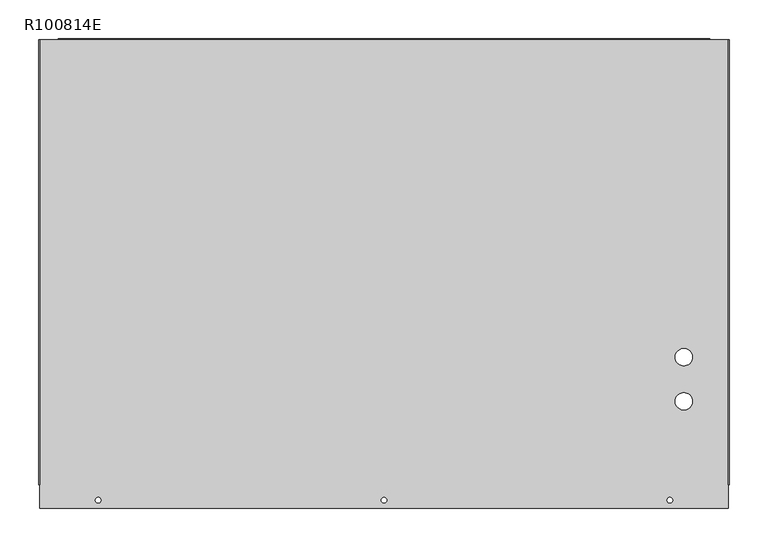
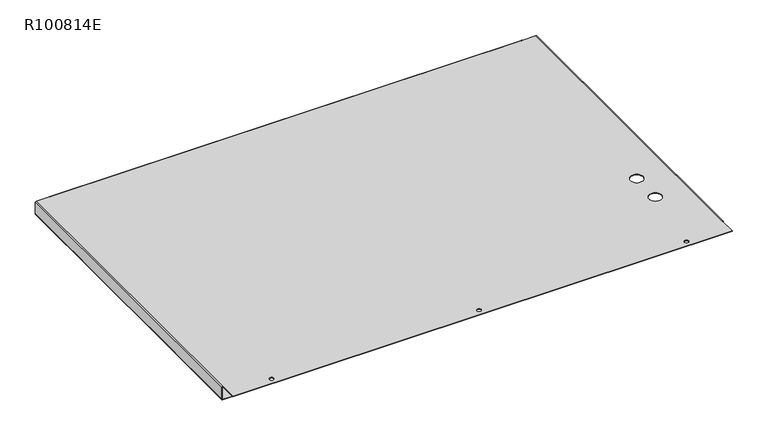
"""IFC4 building model written with IfcOpenShell, lengths in millimetres: proxy geometry, R100814E."""

from ifc_helpers import new_model, si_unit, frame, origin, place, context, project, spatial, polyline, circle_curve, source, transform, mapped, element, save
from ifc_brep_helpers import plane_surface, cylinder_surface, revolved_surface, advanced_brep


def r100814e_e2057013(model_context):
    return source(origin(), model_context, "Body", "AdvancedBrep", [
        advanced_brep(
        [(793.1512212, -359.5432725, 0.0), (793.1512212, -359.5432725, 0.85344), (770.9262212, -359.5432725, 0.85344), (770.9262212, -359.5432725, 0.0), (793.1512212, -416.6932725, 0.0), (793.1512212, -416.6932725, 0.85344), (770.9262212, -416.6932725, 0.85344), (770.9262212, -416.6932725, 0.0), (2.9369012, 51.4922275, -14.38656), (2.9369012, 52.3456675, -14.38656), (-4.3020988, 52.3456675, -14.38656), (-4.3020988, 51.4922275, -14.38656), (792.8769012, 51.4922275, -14.38656), (792.8769012, 52.3456675, -14.38656), (785.6379012, 52.3456675, -14.38656), (785.6379012, 51.4922275, -14.38656), (397.9069012, 51.4922275, -14.38656), (397.9069012, 52.3456675, -14.38656), (390.6679012, 52.3456675, -14.38656), (390.6679012, 51.4922275, -14.38656), (595.3919012, 51.4922275, -14.38656), (595.3919012, 52.3456675, -14.38656), (588.1529012, 52.3456675, -14.38656), (588.1529012, 51.4922275, -14.38656), (200.4219012, 51.4922275, -14.38656), (200.4219012, 52.3456675, -14.38656), (193.1829012, 52.3456675, -14.38656), (193.1829012, 51.4922275, -14.38656), (767.4743612, -544.5035325, 0.0), (767.4743612, -544.5035325, 0.85344), (760.2353612, -544.5035325, 0.85344), (760.2353612, -544.5035325, 0.0), (28.3343612, -544.5035325, 0.0), (28.3343612, -544.5035325, 0.85344), (21.0953612, -544.5035325, 0.85344), (21.0953612, -544.5035325, 0.0), (397.9043612, -544.5035325, 0.0), (397.9043612, -544.5035325, 0.85344), (390.6653612, -544.5035325, 0.85344), (390.6653612, -544.5035325, 0.0), (-50.6139188, -554.8184725, 0.0), (-50.6139188, -554.8184725, 0.85344), (-50.6139188, -524.6432725, 0.85344), (-50.6139188, -524.6432725, 0.0), (-52.3207988, -524.6432725, -0.85344), (-52.3207988, -524.6432725, -22.83968), (-50.6139188, -524.6432725, -24.54656), (-26.9207988, -524.6432725, -24.54656), (-26.9207988, -524.6432725, -23.69312), (-50.6139188, -524.6432725, -23.69312), (-51.4673588, -524.6432725, -22.83968), (-51.4673588, -524.6432725, -0.85344), (-26.9207988, 50.6387875, -24.54656), (-26.9207988, 50.6387875, -23.69312), (-50.6139188, 50.6387875, -24.54656), (-52.3207988, 50.6387875, -22.83968), (-52.3207988, 50.6387875, -0.85344), (-50.6139188, 50.6387875, 0.85344), (839.1887212, -554.8184725, 0.85344), (839.1887212, -554.8184725, 0.0), (839.1887212, -524.6432725, 0.0), (839.1887212, -524.6432725, 0.85344), (840.0421612, -524.6432725, -22.83968), (839.1887212, -524.6432725, -23.69312), (815.4956012, -524.6432725, -23.69312), (815.4956012, -524.6432725, -24.54656), (839.1887212, -524.6432725, -24.54656), (840.8956012, -524.6432725, -22.83968), (840.8956012, -524.6432725, -0.85344), (840.0421612, -524.6432725, -0.85344), (839.1887212, 50.6387875, -24.54656), (840.8956012, 50.6387875, -22.83968), (815.4956012, 50.6387875, -24.54656), (815.4956012, 50.6387875, -23.69312), (839.1887212, 50.6387875, -23.69312), (840.0421612, 50.6387875, -22.83968), (-50.6139188, 50.6387875, -23.69312), (-51.4673588, 50.6387875, -22.83968), (840.0421612, 50.6387875, -0.85344), (840.8956012, 50.6387875, -0.85344), (-51.4673588, 50.6387875, -0.85344), (-50.6139188, 50.6387875, 0.0), (839.1887212, 50.6387875, 0.85344), (839.1887212, 50.6387875, 0.0), (-26.9207988, 50.6387875, 0.85344), (-26.9207988, 50.6387875, 0.0), (815.4956012, 50.6387875, 0.85344), (-26.9207988, 52.3456675, -0.85344), (-26.9207988, 52.3456675, -24.54656), (-26.9207988, 51.4922275, -24.54656), (-26.9207988, 51.4922275, -0.85344), (815.4956012, 52.3456675, -24.54656), (815.4956012, 51.4922275, -24.54656), (815.4956012, 52.3456675, -0.85344), (815.4956012, 50.6387875, 0.0), (815.4956012, 51.4922275, -0.85344)],
        [
            (0, 1),
            (1, 2, circle_curve(frame((782.0387212, -359.5432725, 0.85344), z_axis=(0.0, 0.0, 1.0), x_axis=(1.0, 0.0, 0.0)), 11.1125)),
            (2, 3),
            (3, 0, circle_curve(frame((782.0387212, -359.5432725, 0.0), z_axis=(0.0, 0.0, -1.0), x_axis=(1.0, 0.0, 0.0)), 11.1125)),
            (4, 5),
            (5, 6, circle_curve(frame((782.0387212, -416.6932725, 0.85344), z_axis=(0.0, 0.0, 1.0), x_axis=(1.0, 0.0, 0.0)), 11.1125)),
            (6, 7),
            (7, 4, circle_curve(frame((782.0387212, -416.6932725, 0.0), z_axis=(0.0, 0.0, -1.0), x_axis=(1.0, 0.0, 0.0)), 11.1125)),
            (8, 9),
            (9, 10, circle_curve(frame((-0.6825988, 52.3456675, -14.38656), z_axis=(0.0, 1.0, 0.0), x_axis=(1.0, 0.0, 0.0)), 3.6195)),
            (10, 11),
            (11, 8, circle_curve(frame((-0.6825988, 51.4922275, -14.38656), z_axis=(0.0, -1.0, 0.0), x_axis=(1.0, 0.0, 0.0)), 3.6195)),
            (12, 13),
            (13, 14, circle_curve(frame((789.2574012, 52.3456675, -14.38656), z_axis=(0.0, 1.0, 0.0), x_axis=(1.0, 0.0, 0.0)), 3.6195)),
            (14, 15),
            (15, 12, circle_curve(frame((789.2574012, 51.4922275, -14.38656), z_axis=(0.0, -1.0, 0.0), x_axis=(1.0, 0.0, 0.0)), 3.6195)),
            (16, 17),
            (17, 18, circle_curve(frame((394.2874012, 52.3456675, -14.38656), z_axis=(0.0, 1.0, 0.0), x_axis=(1.0, 0.0, 0.0)), 3.6195)),
            (18, 19),
            (19, 16, circle_curve(frame((394.2874012, 51.4922275, -14.38656), z_axis=(0.0, -1.0, 0.0), x_axis=(1.0, 0.0, 0.0)), 3.6195)),
            (20, 21),
            (21, 22, circle_curve(frame((591.7724012, 52.3456675, -14.38656), z_axis=(0.0, 1.0, 0.0), x_axis=(1.0, 0.0, 0.0)), 3.6195)),
            (22, 23),
            (23, 20, circle_curve(frame((591.7724012, 51.4922275, -14.38656), z_axis=(0.0, -1.0, 0.0), x_axis=(1.0, 0.0, 0.0)), 3.6195)),
            (24, 25),
            (25, 26, circle_curve(frame((196.8024012, 52.3456675, -14.38656), z_axis=(0.0, 1.0, 0.0), x_axis=(1.0, 0.0, 0.0)), 3.6195)),
            (26, 27),
            (27, 24, circle_curve(frame((196.8024012, 51.4922275, -14.38656), z_axis=(0.0, -1.0, 0.0), x_axis=(1.0, 0.0, 0.0)), 3.6195)),
            (28, 29),
            (29, 30, circle_curve(frame((763.8548612, -544.5035325, 0.85344), z_axis=(0.0, 0.0, 1.0), x_axis=(1.0, 0.0, 0.0)), 3.6195)),
            (30, 31),
            (31, 28, circle_curve(frame((763.8548612, -544.5035325, 0.0), z_axis=(0.0, 0.0, -1.0), x_axis=(1.0, 0.0, 0.0)), 3.6195)),
            (32, 33),
            (33, 34, circle_curve(frame((24.7148612, -544.5035325, 0.85344), z_axis=(0.0, 0.0, 1.0), x_axis=(1.0, 0.0, 0.0)), 3.6195)),
            (34, 35),
            (35, 32, circle_curve(frame((24.7148612, -544.5035325, 0.0), z_axis=(0.0, 0.0, -1.0), x_axis=(1.0, 0.0, 0.0)), 3.6195)),
            (36, 37),
            (37, 38, circle_curve(frame((394.2848612, -544.5035325, 0.85344), z_axis=(0.0, 0.0, 1.0), x_axis=(1.0, 0.0, 0.0)), 3.6195)),
            (38, 39),
            (39, 36, circle_curve(frame((394.2848612, -544.5035325, 0.0), z_axis=(0.0, 0.0, -1.0), x_axis=(1.0, 0.0, 0.0)), 3.6195)),
            (36, 39, circle_curve(frame((394.2848612, -544.5035325, 0.0), z_axis=(0.0, 0.0, -1.0), x_axis=(1.0, 0.0, 0.0)), 3.6195)),
            (38, 37, circle_curve(frame((394.2848612, -544.5035325, 0.85344), z_axis=(0.0, 0.0, 1.0), x_axis=(1.0, 0.0, 0.0)), 3.6195)),
            (32, 35, circle_curve(frame((24.7148612, -544.5035325, 0.0), z_axis=(0.0, 0.0, -1.0), x_axis=(1.0, 0.0, 0.0)), 3.6195)),
            (34, 33, circle_curve(frame((24.7148612, -544.5035325, 0.85344), z_axis=(0.0, 0.0, 1.0), x_axis=(1.0, 0.0, 0.0)), 3.6195)),
            (28, 31, circle_curve(frame((763.8548612, -544.5035325, 0.0), z_axis=(0.0, 0.0, -1.0), x_axis=(1.0, 0.0, 0.0)), 3.6195)),
            (30, 29, circle_curve(frame((763.8548612, -544.5035325, 0.85344), z_axis=(0.0, 0.0, 1.0), x_axis=(1.0, 0.0, 0.0)), 3.6195)),
            (24, 27, circle_curve(frame((196.8024012, 51.4922275, -14.38656), z_axis=(0.0, -1.0, 0.0), x_axis=(1.0, 0.0, 0.0)), 3.6195)),
            (26, 25, circle_curve(frame((196.8024012, 52.3456675, -14.38656), z_axis=(0.0, 1.0, 0.0), x_axis=(1.0, 0.0, 0.0)), 3.6195)),
            (20, 23, circle_curve(frame((591.7724012, 51.4922275, -14.38656), z_axis=(0.0, -1.0, 0.0), x_axis=(1.0, 0.0, 0.0)), 3.6195)),
            (22, 21, circle_curve(frame((591.7724012, 52.3456675, -14.38656), z_axis=(0.0, 1.0, 0.0), x_axis=(1.0, 0.0, 0.0)), 3.6195)),
            (16, 19, circle_curve(frame((394.2874012, 51.4922275, -14.38656), z_axis=(0.0, -1.0, 0.0), x_axis=(1.0, 0.0, 0.0)), 3.6195)),
            (18, 17, circle_curve(frame((394.2874012, 52.3456675, -14.38656), z_axis=(0.0, 1.0, 0.0), x_axis=(1.0, 0.0, 0.0)), 3.6195)),
            (12, 15, circle_curve(frame((789.2574012, 51.4922275, -14.38656), z_axis=(0.0, -1.0, 0.0), x_axis=(1.0, 0.0, 0.0)), 3.6195)),
            (14, 13, circle_curve(frame((789.2574012, 52.3456675, -14.38656), z_axis=(0.0, 1.0, 0.0), x_axis=(1.0, 0.0, 0.0)), 3.6195)),
            (8, 11, circle_curve(frame((-0.6825988, 51.4922275, -14.38656), z_axis=(0.0, -1.0, 0.0), x_axis=(1.0, 0.0, 0.0)), 3.6195)),
            (10, 9, circle_curve(frame((-0.6825988, 52.3456675, -14.38656), z_axis=(0.0, 1.0, 0.0), x_axis=(1.0, 0.0, 0.0)), 3.6195)),
            (4, 7, circle_curve(frame((782.0387212, -416.6932725, 0.0), z_axis=(0.0, 0.0, -1.0), x_axis=(1.0, 0.0, 0.0)), 11.1125)),
            (6, 5, circle_curve(frame((782.0387212, -416.6932725, 0.85344), z_axis=(0.0, 0.0, 1.0), x_axis=(1.0, 0.0, 0.0)), 11.1125)),
            (0, 3, circle_curve(frame((782.0387212, -359.5432725, 0.0), z_axis=(0.0, 0.0, -1.0), x_axis=(1.0, 0.0, 0.0)), 11.1125)),
            (2, 1, circle_curve(frame((782.0387212, -359.5432725, 0.85344), z_axis=(0.0, 0.0, 1.0), x_axis=(1.0, 0.0, 0.0)), 11.1125)),
            (40, 41),
            (41, 42),
            (42, 43),
            (43, 40),
            (42, 44, circle_curve(frame((-50.6139188, -524.6432725, -0.85344), z_axis=(0.0, -1.0, 0.0), x_axis=(0.0, 0.0, 1.0)), 1.70688)),
            (44, 45),
            (45, 46, circle_curve(frame((-50.6139188, -524.6432725, -22.83968), z_axis=(0.0, -1.0, 0.0), x_axis=(-1.0, 0.0, 0.0)), 1.70688)),
            (46, 47),
            (47, 48),
            (48, 49),
            (49, 50, circle_curve(frame((-50.6139188, -524.6432725, -22.83968), z_axis=(0.0, 1.0, 0.0), x_axis=(-1.0, 0.0, 0.0)), 0.85344)),
            (50, 51),
            (51, 43, circle_curve(frame((-50.6139188, -524.6432725, -0.85344), z_axis=(0.0, 1.0, 0.0), x_axis=(0.0, 0.0, 1.0)), 0.85344)),
            (47, 52),
            (52, 53),
            (53, 48),
            (46, 54),
            (54, 52),
            (45, 55),
            (55, 54, circle_curve(frame((-50.6139188, 50.6387875, -22.83968), z_axis=(0.0, -1.0, 0.0), x_axis=(-1.0, 0.0, 0.0)), 1.70688)),
            (44, 56),
            (56, 55),
            (42, 57),
            (57, 56, circle_curve(frame((-50.6139188, 50.6387875, -0.85344), z_axis=(0.0, -1.0, 0.0), x_axis=(0.0, 0.0, 1.0)), 1.70688)),
            (58, 59),
            (59, 60),
            (60, 61),
            (61, 58),
            (62, 63, circle_curve(frame((839.1887212, -524.6432725, -22.83968), z_axis=(0.0, 1.0, 0.0), x_axis=(1.0, 0.0, 0.0)), 0.85344)),
            (63, 64),
            (64, 65),
            (65, 66),
            (66, 67, circle_curve(frame((839.1887212, -524.6432725, -22.83968), z_axis=(0.0, -1.0, 0.0), x_axis=(1.0, 0.0, 0.0)), 1.70688)),
            (67, 68),
            (68, 61, circle_curve(frame((839.1887212, -524.6432725, -0.85344), z_axis=(0.0, -1.0, 0.0), x_axis=(0.0, 0.0, 1.0)), 1.70688)),
            (60, 69, circle_curve(frame((839.1887212, -524.6432725, -0.85344), z_axis=(0.0, 1.0, 0.0), x_axis=(0.0, 0.0, 1.0)), 0.85344)),
            (69, 62),
            (66, 70),
            (70, 71, circle_curve(frame((839.1887212, 50.6387875, -22.83968), z_axis=(0.0, -1.0, 0.0), x_axis=(1.0, 0.0, 0.0)), 1.70688)),
            (71, 67),
            (65, 72),
            (72, 70),
            (64, 73),
            (73, 72),
            (63, 74),
            (74, 73),
            (62, 75),
            (75, 74, circle_curve(frame((839.1887212, 50.6387875, -22.83968), z_axis=(0.0, 1.0, 0.0), x_axis=(1.0, 0.0, 0.0)), 0.85344)),
            (70, 74),
            (75, 71),
            (54, 76),
            (76, 53),
            (76, 49),
            (55, 77),
            (77, 76, circle_curve(frame((-50.6139188, 50.6387875, -22.83968), z_axis=(0.0, -1.0, 0.0), x_axis=(-1.0, 0.0, 0.0)), 0.85344)),
            (77, 50),
            (75, 78),
            (78, 79),
            (79, 71),
            (69, 78),
            (77, 80),
            (80, 51),
            (56, 80),
            (57, 81),
            (81, 80, circle_curve(frame((-50.6139188, 50.6387875, -0.85344), z_axis=(0.0, -1.0, 0.0), x_axis=(0.0, 0.0, 1.0)), 0.85344)),
            (81, 43),
            (68, 79),
            (79, 82, circle_curve(frame((839.1887212, 50.6387875, -0.85344), z_axis=(0.0, -1.0, 0.0), x_axis=(0.0, 0.0, 1.0)), 1.70688)),
            (82, 61),
            (78, 83, circle_curve(frame((839.1887212, 50.6387875, -0.85344), z_axis=(0.0, -1.0, 0.0), x_axis=(0.0, 0.0, 1.0)), 0.85344)),
            (83, 82),
            (60, 83),
            (57, 84),
            (84, 85),
            (85, 81),
            (41, 58),
            (82, 86),
            (86, 84),
            (40, 59),
            (84, 87, circle_curve(frame((-26.9207988, 50.6387875, -0.85344), z_axis=(-1.0, 0.0, 0.0), x_axis=(0.0, 0.0, 1.0)), 1.70688)),
            (87, 88),
            (88, 89),
            (89, 90),
            (90, 85, circle_curve(frame((-26.9207988, 50.6387875, -0.85344), z_axis=(1.0, 0.0, 0.0), x_axis=(0.0, 0.0, 1.0)), 0.85344)),
            (88, 91),
            (91, 92),
            (92, 89),
            (87, 93),
            (93, 91),
            (86, 93, circle_curve(frame((815.4956012, 50.6387875, -0.85344), z_axis=(-1.0, 0.0, 0.0), x_axis=(0.0, 0.0, 1.0)), 1.70688)),
            (83, 94),
            (94, 86),
            (94, 95, circle_curve(frame((815.4956012, 50.6387875, -0.85344), z_axis=(-1.0, 0.0, 0.0), x_axis=(0.0, 0.0, 1.0)), 0.85344)),
            (95, 92),
            (90, 95),
            (94, 85),
        ],
        [
            revolved_surface(polyline([(793.1512212, -359.5432725, 0.85344), (793.1512212, -359.5432725, 0.0)]), (782.0387212, -359.5432725, 0.42672), (0.0, 0.0, 1.0)),
            revolved_surface(polyline([(793.1512212, -416.6932725, 0.85344), (793.1512212, -416.6932725, 0.0)]), (782.0387212, -416.6932725, 0.42672), (0.0, 0.0, 1.0)),
            revolved_surface(polyline([(2.9369012, 52.3456675, -14.38656), (2.9369012, 51.4922275, -14.38656)]), (-0.6825988, 51.9189475, -14.38656), (0.0, 1.0, 0.0)),
            revolved_surface(polyline([(792.8769012, 52.3456675, -14.38656), (792.8769012, 51.4922275, -14.38656)]), (789.2574012, 51.9189475, -14.38656), (0.0, 1.0, 0.0)),
            revolved_surface(polyline([(397.9069012, 52.3456675, -14.38656), (397.9069012, 51.4922275, -14.38656)]), (394.2874012, 51.9189475, -14.38656), (0.0, 1.0, 0.0)),
            revolved_surface(polyline([(595.3919012, 52.3456675, -14.38656), (595.3919012, 51.4922275, -14.38656)]), (591.7724012, 51.9189475, -14.38656), (0.0, 1.0, 0.0)),
            revolved_surface(polyline([(200.42190119999998, 52.3456675, -14.38656), (200.42190119999998, 51.4922275, -14.38656)]), (196.8024012, 51.9189475, -14.38656), (0.0, 1.0, 0.0)),
            revolved_surface(polyline([(767.4743612, -544.5035325, 0.85344), (767.4743612, -544.5035325, 0.0)]), (763.8548612, -544.5035325, 0.42672), (0.0, 0.0, 1.0)),
            revolved_surface(polyline([(28.3343612, -544.5035325, 0.85344), (28.3343612, -544.5035325, 0.0)]), (24.7148612, -544.5035325, 0.42672), (0.0, 0.0, 1.0)),
            revolved_surface(polyline([(397.90436120000004, -544.5035325, 0.85344), (397.90436120000004, -544.5035325, 0.0)]), (394.2848612, -544.5035325, 0.42672), (0.0, 0.0, 1.0)),
            plane_surface(frame((-50.6139188, -554.8184725, 0.85344), z_axis=(-1.0, 0.0, 0.0), x_axis=(0.0, 0.0, -1.0))),
            plane_surface(frame((-51.4235186, -524.6432725, -0.0438402), z_axis=(0.0, -1.0, 0.0), x_axis=(0.0, 0.0, -1.0))),
            plane_surface(frame((-26.9207988, -554.8184725, -23.69312), z_axis=(1.0, 0.0, 0.0), x_axis=(0.0, 0.0, -1.0))),
            plane_surface(frame((-39.7325767, -252.0898425, -24.54656), z_axis=(0.0, 0.0, -1.0), x_axis=(1.0, 0.0, 0.0))),
            cylinder_surface(frame((-50.6139188, -252.0898425, -22.83968), z_axis=(0.0, -1.0, 0.0), x_axis=(-1.0, 0.0, 0.0)), 1.70688),
            plane_surface(frame((-52.3207988, -252.0898425, -11.7347821), z_axis=(-1.0, 0.0, 0.0), x_axis=(0.0, 0.0, 1.0))),
            cylinder_surface(frame((-50.6139188, -252.0898425, -0.85344), z_axis=(0.0, -1.0, 0.0), x_axis=(0.0, 0.0, 1.0)), 1.70688),
            plane_surface(frame((839.1887212, -554.8184725, 0.0), z_axis=(1.0, 0.0, 0.0), x_axis=(0.0, 0.0, 1.0))),
            plane_surface(frame((839.9983211, -524.6432725, -23.6492798), z_axis=(0.0, -1.0, 0.0), x_axis=(0.0, 0.0, -1.0))),
            cylinder_surface(frame((839.1887212, -252.0898425, -22.83968), z_axis=(0.0, 1.0, 0.0), x_axis=(1.0, 0.0, 0.0)), 1.70688),
            plane_surface(frame((828.3073791, -252.0898425, -24.54656), z_axis=(0.0, 0.0, -1.0), x_axis=(-1.0, 0.0, 0.0))),
            plane_surface(frame((815.4956012, 50.6387875, -23.69312), z_axis=(-1.0, 0.0, 0.0), x_axis=(0.0, 0.0, 1.0))),
            plane_surface(frame((828.3073791, -252.0898425, -23.69312), z_axis=(0.0, 0.0, 1.0), x_axis=(-1.0, 0.0, 0.0))),
            revolved_surface(polyline([(840.0421612, 50.63878750000001, -22.83968), (840.0421612, -524.6432725, -22.83968)]), (839.1887212, -252.0898425, -22.83968), (0.0, 1.0, 0.0)),
            plane_surface(frame((839.1887212, 50.6387875, -23.69312), z_axis=(0.0, 1.0, 0.0), x_axis=(0.0, 0.0, 1.0))),
            plane_surface(frame((839.1887212, 50.6387875, -23.69312), z_axis=(0.0, 1.0, 0.0), x_axis=(1.0, 0.0, 0.0))),
            plane_surface(frame((-50.6139188, 50.6387875, -23.69312), z_axis=(0.0, 1.0, 0.0), x_axis=(-1.0, 0.0, 0.0))),
            plane_surface(frame((-39.7325767, -252.0898425, -23.69312), z_axis=(0.0, 0.0, 1.0), x_axis=(1.0, 0.0, 0.0))),
            plane_surface(frame((-50.6139188, 50.6387875, -24.54656), z_axis=(0.0, 1.0, 0.0), x_axis=(0.0, 0.0, 1.0))),
            revolved_surface(polyline([(-51.4673588, -524.6432725, -22.83968), (-51.4673588, 50.63878750000001, -22.83968)]), (-50.6139188, -252.0898425, -22.83968), (0.0, -1.0, 0.0)),
            plane_surface(frame((840.0421612, 50.6387875, -0.85344), z_axis=(0.0, 1.0, 0.0), x_axis=(1.0, 0.0, 0.0))),
            plane_surface(frame((840.0421612, -252.0898425, -11.7347821), z_axis=(-1.0, 0.0, 0.0), x_axis=(0.0, 0.0, -1.0))),
            plane_surface(frame((-51.4673588, -252.0898425, -11.7347821), z_axis=(1.0, 0.0, 0.0), x_axis=(0.0, 0.0, 1.0))),
            plane_surface(frame((-51.4673588, 50.6387875, -0.85344), z_axis=(0.0, 1.0, 0.0), x_axis=(-1.0, 0.0, 0.0))),
            plane_surface(frame((-52.3207988, 50.6387875, -0.85344), z_axis=(0.0, 1.0, 0.0), x_axis=(0.0, 0.0, 1.0))),
            revolved_surface(polyline([(-50.6139188, -524.6432725, 0.0), (-50.6139188, 50.63878750000001, 0.0)]), (-50.6139188, -252.0898425, -0.85344), (0.0, -1.0, 0.0)),
            cylinder_surface(frame((839.1887212, -252.0898425, -0.85344), z_axis=(0.0, 1.0, 0.0), x_axis=(0.0, 0.0, 1.0)), 1.70688),
            plane_surface(frame((840.0421612, 50.6387875, -0.85344), z_axis=(0.0, 1.0, 0.0), x_axis=(0.0, 0.0, 1.0))),
            plane_surface(frame((840.8956012, -252.0898425, -11.7347821), z_axis=(1.0, 0.0, 0.0), x_axis=(0.0, 0.0, -1.0))),
            revolved_surface(polyline([(839.1887212, 50.63878750000001, 0.0), (839.1887212, -524.6432725, 0.0)]), (839.1887212, -252.0898425, -0.85344), (0.0, 1.0, 0.0)),
            plane_surface(frame((-52.3207988, 50.6387875, 0.85344), z_axis=(0.0, 1.0, 0.0), x_axis=(0.0, 0.0, -1.0))),
            plane_surface(frame((394.2874012, -251.2364025, 0.85344), z_axis=(0.0, 0.0, 1.0), x_axis=(1.0, 0.0, 0.0))),
            plane_surface(frame((840.8956012, -554.8184725, 0.0), z_axis=(0.0, -1.0, 0.0), x_axis=(0.0, 0.0, -1.0))),
            plane_surface(frame((-26.9207988, 51.4483873, -0.0438402), z_axis=(-1.0, 0.0, 0.0), x_axis=(0.0, 0.0, -1.0))),
            plane_surface(frame((-52.3207988, 51.4922275, -24.54656), z_axis=(0.0, 0.0, -1.0), x_axis=(0.0, 1.0, 0.0))),
            plane_surface(frame((394.2874012, 52.3456675, -11.7347821), z_axis=(0.0, 1.0, 0.0), x_axis=(1.0, 0.0, 0.0))),
            cylinder_surface(frame((394.2874012, 50.6387875, -0.85344), z_axis=(-1.0, 0.0, 0.0), x_axis=(0.0, 0.0, 1.0)), 1.70688),
            plane_surface(frame((840.8956012, 50.6387875, 0.0), z_axis=(0.0, 1.0, 0.0), x_axis=(0.0, 0.0, 1.0))),
            plane_surface(frame((815.4956012, 51.4483873, -0.0438402), z_axis=(1.0, 0.0, 0.0), x_axis=(0.0, 0.0, -1.0))),
            revolved_surface(polyline([(-26.9207988, 50.6387875, 0.0), (815.4956012, 50.6387875, 0.0)]), (394.2874012, 50.6387875, -0.85344), (-1.0, 0.0, 0.0)),
            plane_surface(frame((394.2874012, 51.4922275, -11.7347821), z_axis=(0.0, -1.0, 0.0), x_axis=(1.0, 0.0, 0.0))),
            plane_surface(frame((394.2874012, -251.2364025, 0.0), z_axis=(0.0, 0.0, -1.0), x_axis=(1.0, 0.0, 0.0))),
        ],
        [
            (0, [[1, 2, 3, 4]]),
            (1, [[5, 6, 7, 8]]),
            (2, [[9, 10, 11, 12]]),
            (3, [[13, 14, 15, 16]]),
            (4, [[17, 18, 19, 20]]),
            (5, [[21, 22, 23, 24]]),
            (6, [[25, 26, 27, 28]]),
            (7, [[29, 30, 31, 32]]),
            (8, [[33, 34, 35, 36]]),
            (9, [[37, 38, 39, 40]]),
            (9, [[-37, 41, -39, 42]]),
            (8, [[-33, 43, -35, 44]]),
            (7, [[-29, 45, -31, 46]]),
            (6, [[-25, 47, -27, 48]]),
            (5, [[-21, 49, -23, 50]]),
            (4, [[-17, 51, -19, 52]]),
            (3, [[-13, 53, -15, 54]]),
            (2, [[-9, 55, -11, 56]]),
            (1, [[-5, 57, -7, 58]]),
            (0, [[-1, 59, -3, 60]]),
            (10, [[61, 62, 63, 64]]),
            (11, [[65, 66, 67, 68, 69, 70, 71, 72, 73, -63]]),
            (12, [[-69, 74, 75, 76]]),
            (13, [[-68, 77, 78, -74]]),
            (14, [[-67, 79, 80, -77]]),
            (15, [[-66, 81, 82, -79]]),
            (16, [[-65, 83, 84, -81]]),
            (17, [[85, 86, 87, 88]]),
            (18, [[89, 90, 91, 92, 93, 94, 95, -87, 96, 97]]),
            (19, [[-93, 98, 99, 100]]),
            (20, [[-92, 101, 102, -98]]),
            (21, [[-91, 103, 104, -101]]),
            (22, [[-90, 105, 106, -103]]),
            (23, [[-89, 107, 108, -105]]),
            (24, [[109, -108, 110, -99]]),
            (25, [[-109, -102, -104, -106]]),
            (26, [[111, 112, -75, -78]]),
            (27, [[-70, -76, -112, 113]]),
            (28, [[-111, -80, 114, 115]]),
            (29, [[-71, -113, -115, 116]]),
            (30, [[-110, 117, 118, 119]]),
            (31, [[-97, 120, -117, -107]]),
            (32, [[-72, -116, 121, 122]]),
            (33, [[-114, -82, 123, -121]]),
            (34, [[-123, -84, 124, 125]]),
            (35, [[-73, -122, -125, 126]]),
            (36, [[-95, 127, 128, 129]]),
            (37, [[-118, 130, 131, -128]]),
            (38, [[-94, -100, -119, -127]]),
            (39, [[-96, 132, -130, -120]]),
            (40, [[-124, 133, 134, 135]]),
            (41, [[-83, -62, 136, -88, -129, 137, 138, -133], [-42, -38], [-44, -34], [-46, -30], [-58, -6], [-60, -2]]),
            (42, [[-61, 139, -85, -136]]),
            (43, [[140, 141, 142, 143, 144, -134]]),
            (44, [[-142, 145, 146, 147]]),
            (45, [[-141, 148, 149, -145], [-48, -26], [-50, -22], [-52, -18], [-54, -14], [-56, -10]]),
            (46, [[-140, -138, 150, -148]]),
            (47, [[-131, 151, 152, -137]]),
            (48, [[153, 154, -146, -149, -150, -152]]),
            (49, [[-144, 155, -153, 156]]),
            (50, [[-143, -147, -154, -155], [-12, -55], [-16, -53], [-20, -51], [-24, -49], [-28, -47]]),
            (51, [[-64, -126, -135, -156, -151, -132, -86, -139], [-4, -59], [-8, -57], [-32, -45], [-36, -43], [-40, -41]]),
        ],
    ),
    ])


if __name__ == "__main__":
    model = new_model("IFC4")
    model_context = context("Model", 3, world=origin())
    ifc_project = project(units=[si_unit("LENGTHUNIT", "METRE", prefix="MILLI")], contexts=[model_context])
    site = spatial("IfcSite", under=ifc_project)
    building = spatial("IfcBuilding", under=site)
    placement = place(None, origin())
    r100814e_shape = r100814e_e2057013(model_context)
    element("IfcBuildingElementProxy", 1, Name="R100814E", ObjectType="R100814E", at=placement, inside=building, context=model_context, shape_type="MappedRepresentation", body=[
        mapped(r100814e_shape, transform((0.0, 0.0, 0.0), x_axis=(1.0, 0.0, 0.0), y_axis=(0.0, 1.0, 0.0), z_axis=(0.0, 0.0, 1.0))),
    ])
    save(model, "model.ifc")
